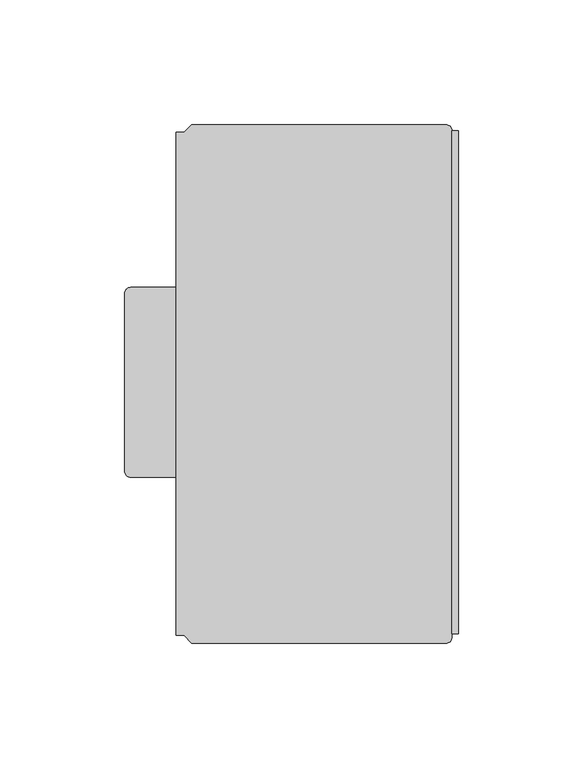
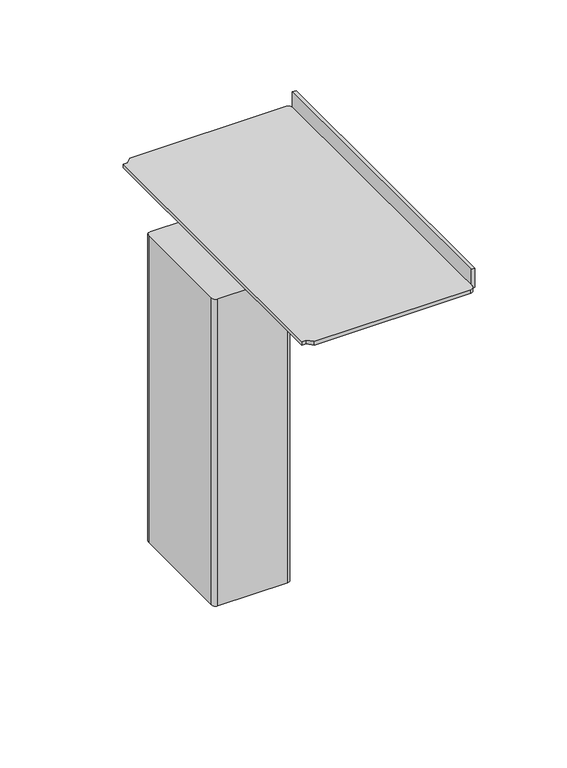
"""IFC4 building model written with IfcOpenShell, lengths in millimetres: furniture geometry."""

from ifc_helpers import new_model, si_unit, point, frame, frame_2d, origin, place, context, project, spatial, polyline, circle_curve, trimmed, segment, composite_curve, outline, extrude, source, transform, mapped, element, save
from ifc_brep_helpers import plane_surface, cylinder_surface, advanced_brep


def furniture_cd7607cd(model_context):
    return source(origin(), model_context, "Body", "SolidModel", [
        advanced_brep(
        [(29.5907084, 64.7885645, 773.811), (131.633251, 64.7885645, 773.811), (134.173251, 62.2485645, 773.811), (136.7132486, 62.2485623, 773.811), (136.7132486, -139.706834, 773.811), (134.173251, -139.706834, 773.811), (134.173251, -140.9768395, 773.811), (131.633251, -143.5168395, 773.811), (29.5907084, -143.5168395, 773.811), (26.4157091, -140.3418334, 773.811), (23.3680004, -140.3418334, 773.811), (23.3680004, 61.6135629, 773.811), (26.4157091, 61.6135629, 773.811), (29.5907084, 64.7885645, 776.3510136), (26.4157091, 61.6135629, 776.3510136), (23.3680004, 61.6135629, 776.3510136), (23.3680004, -140.3418334, 776.3510136), (26.4157091, -140.3418334, 776.3510136), (29.5907084, -143.5168395, 776.3510136), (131.633251, -143.5168395, 776.3510136), (134.173251, -140.9768395, 776.3510136), (134.173251, -139.706834, 776.3510136), (134.173251, 62.2485623, 776.3510136), (131.633251, 64.7885645, 776.3510136), (136.7132486, -139.706834, 787.0189671), (134.173251, -139.706834, 787.0189671), (134.173251, 62.2485623, 787.0189671), (136.7132486, 62.2485623, 787.0189671)],
        [
            (0, 1),
            (1, 2, circle_curve(frame((131.633251, 62.2485645, 773.811), z_axis=(0.0, 0.0, -1.0), x_axis=(0.0, -1.0, 0.0)), 2.54)),
            (2, 3),
            (3, 4),
            (4, 5),
            (5, 6),
            (6, 7, circle_curve(frame((131.633251, -140.9768395, 773.811), z_axis=(0.0, 0.0, -1.0), x_axis=(0.0, -1.0, 0.0)), 2.54)),
            (7, 8),
            (8, 9),
            (9, 10),
            (10, 11),
            (11, 12),
            (12, 0),
            (13, 14),
            (14, 15),
            (15, 16),
            (16, 17),
            (17, 18),
            (18, 19),
            (19, 20, circle_curve(frame((131.633251, -140.9768395, 776.3510136), z_axis=(0.0, 0.0, 1.0), x_axis=(0.0, -1.0, 0.0)), 2.54)),
            (20, 21),
            (21, 22),
            (22, 23, circle_curve(frame((131.633251, 62.2485645, 776.3510136), z_axis=(0.0, 0.0, 1.0), x_axis=(0.0, -1.0, 0.0)), 2.54)),
            (23, 13),
            (0, 13),
            (23, 1),
            (22, 2),
            (20, 6),
            (5, 21),
            (19, 7),
            (18, 8),
            (10, 16),
            (15, 11),
            (17, 9),
            (14, 12),
            (4, 24),
            (24, 25),
            (25, 21),
            (26, 27),
            (27, 3),
            (22, 26),
            (25, 26),
            (27, 24),
        ],
        [
            plane_surface(frame((103.0582534, 64.7885645, 773.811), z_axis=(0.0, 0.0, -1.0), x_axis=(1.0, 0.0, 0.0))),
            plane_surface(frame((103.0582534, 64.7885645, 776.3510136), z_axis=(0.0, 0.0, 1.0), x_axis=(-1.0, 0.0, 0.0))),
            plane_surface(frame((29.5907084, 64.7885645, 773.811), z_axis=(0.0, 1.0, 0.0), x_axis=(0.0, 0.0, 1.0))),
            cylinder_surface(frame((131.633251, 62.2485645, 776.3510136), z_axis=(0.0, 0.0, -1.0), x_axis=(0.0, -1.0, 0.0)), 2.54),
            plane_surface(frame((134.173251, 62.2485645, 773.811), z_axis=(1.0, 0.0, 0.0), x_axis=(0.0, 0.0, 1.0))),
            cylinder_surface(frame((131.633251, -140.9768395, 776.3510136), z_axis=(0.0, 0.0, -1.0), x_axis=(0.0, -1.0, 0.0)), 2.54),
            plane_surface(frame((131.633251, -143.5168395, 773.811), z_axis=(0.0, -1.0, 0.0), x_axis=(0.0, 0.0, 1.0))),
            plane_surface(frame((23.3680004, -140.3418334, 773.811), z_axis=(-1.0, 0.0, 0.0), x_axis=(0.0, 0.0, 1.0))),
            plane_surface(frame((29.5907084, -143.5168395, 773.811), z_axis=(-0.7071075398287812, -0.7071060225435, 0.0), x_axis=(0.0, 0.0, 1.0))),
            plane_surface(frame((26.4157091, -140.3418334, 773.811), z_axis=(0.0, -1.0, 0.0), x_axis=(0.0, 0.0, 1.0))),
            plane_surface(frame((23.3680004, 61.6135629, 773.811), z_axis=(0.0, 1.0, 0.0), x_axis=(0.0, 0.0, 1.0))),
            plane_surface(frame((26.4157091, 61.6135629, 773.811), z_axis=(-0.7071070340675647, 0.70710652830544, 0.0), x_axis=(0.0, 0.0, 1.0))),
            plane_surface(frame((134.173251, -139.706834, 787.0189671), z_axis=(0.0, -1.0, 0.0), x_axis=(0.0, 0.0, -1.0))),
            plane_surface(frame((134.173251, 62.2485623, 787.0189671), z_axis=(0.0, 1.0, 0.0), x_axis=(0.0, 0.0, 1.0))),
            plane_surface(frame((134.173251, -139.706834, 787.0189671), z_axis=(-1.0, 0.0, 0.0), x_axis=(0.0, 1.0, 0.0))),
            plane_surface(frame((136.7132486, -139.706834, 773.811), z_axis=(1.0, 0.0, 0.0), x_axis=(0.0, 1.0, 0.0))),
            plane_surface(frame((136.7132486, -139.706834, 787.0189671), z_axis=(0.0, 0.0, 1.0), x_axis=(0.0, 1.0, 0.0))),
        ],
        [
            (0, [[1, 2, 3, 4, 5, 6, 7, 8, 9, 10, 11, 12, 13]]),
            (1, [[14, 15, 16, 17, 18, 19, 20, 21, 22, 23, 24]]),
            (2, [[-1, 25, -24, 26]]),
            (3, [[-2, -26, -23, 27]]),
            (4, [[28, -6, 29, -21]]),
            (5, [[-7, -28, -20, 30]]),
            (6, [[-8, -30, -19, 31]]),
            (7, [[-11, 32, -16, 33]]),
            (8, [[-9, -31, -18, 34]]),
            (9, [[-10, -34, -17, -32]]),
            (10, [[-12, -33, -15, 35]]),
            (11, [[-13, -35, -14, -25]]),
            (12, [[-5, 36, 37, 38, -29]]),
            (13, [[39, 40, -3, -27, 41]]),
            (14, [[42, -41, -22, -38]]),
            (15, [[-36, -4, -40, 43]]),
            (16, [[-37, -43, -39, -42]]),
        ],
    ),
        extrude(outline(composite_curve([segment(trimmed(circle_curve(frame_2d((40.9571708, -49.3434032)), 1.27), [point((42.0570231, -48.7084032))], [point((40.9571708, -50.6134032))], False, "CARTESIAN"), True, "CONTINUOUS"), segment(polyline([(40.9571708, -50.6134032), (27.172357, -50.6134032)]), True, "CONTINUOUS"), segment(trimmed(circle_curve(frame_2d((27.172357, -49.3434032)), 1.27), [point((27.172357, -50.6134032))], [point((26.0725047, -49.9784032))], False, "CARTESIAN"), True, "CONTINUOUS"), segment(polyline([(26.0725047, -49.9784032), (13.8229746, -28.7615956)]), True, "CONTINUOUS"), segment(trimmed(circle_curve(frame_2d((14.9228268, -28.1265956)), 1.27), [point((13.8229746, -28.7615956))], [point((14.9228268, -26.8565956))], False, "CARTESIAN"), True, "CONTINUOUS"), segment(polyline([(14.9228268, -26.8565956), (28.707643, -26.8565956)]), True, "CONTINUOUS"), segment(trimmed(circle_curve(frame_2d((28.707643, -28.1265956)), 1.27), [point((28.707643, -26.8565956))], [point((29.8074953, -27.4915957))], False, "CARTESIAN"), True, "CONTINUOUS"), segment(polyline([(29.8074953, -27.4915957), (42.0570231, -48.7084032)]), True, "CONTINUOUS")], self_intersect=False)), frame((0.0, 0.0, 552.45), z_axis=(0.0, 0.0, 1.0), x_axis=(1.0, 0.0, 0.0)), (0.0, 0.0, 1.0), 6.3500121),
        extrude(outline(composite_curve([segment(trimmed(circle_curve(frame_2d((27.9399996, -38.7350004)), 3.9687492), [point((27.9399996, -34.7662512))], [point((27.9399996, -42.7037496))], False, "CARTESIAN"), True, "CONTINUOUS"), segment(trimmed(circle_curve(frame_2d((27.9399996, -38.7350004)), 3.9687492), [point((27.9399996, -42.7037496))], [point((27.9399996, -34.7662512))], False, "CARTESIAN"), True, "CONTINUOUS")], self_intersect=False)), frame((0.0, 0.0, 558.8000121), z_axis=(0.0, 0.0, 1.0), x_axis=(1.0, 0.0, 0.0)), (0.0, 0.0, 1.0), 3.1749879),
        extrude(outline(composite_curve([segment(trimmed(circle_curve(frame_2d((5.0799976, -3.175)), 2.54), [point((2.5399976, -3.175))], [point((5.0799976, -0.635))], False, "CARTESIAN"), True, "CONTINUOUS"), segment(polyline([(5.0799976, -0.635), (50.7999991, -0.635)]), True, "CONTINUOUS"), segment(trimmed(circle_curve(frame_2d((50.7999991, -3.175)), 2.54), [point((50.7999991, -0.635))], [point((53.3399991, -3.175))], False, "CARTESIAN"), True, "CONTINUOUS"), segment(polyline([(53.3399991, -3.175), (53.3399991, -74.2949994)]), True, "CONTINUOUS"), segment(trimmed(circle_curve(frame_2d((50.7999991, -74.2949994)), 2.54), [point((53.3399991, -74.2949994))], [point((50.7999991, -76.8349994))], False, "CARTESIAN"), True, "CONTINUOUS"), segment(polyline([(50.7999991, -76.8349994), (5.0799976, -76.8349994)]), True, "CONTINUOUS"), segment(trimmed(circle_curve(frame_2d((5.0799976, -74.2949994)), 2.54), [point((5.0799976, -76.8349994))], [point((2.5399976, -74.2949994))], False, "CARTESIAN"), True, "CONTINUOUS"), segment(polyline([(2.5399976, -74.2949994), (2.5399976, -3.175)]), True, "CONTINUOUS")], self_intersect=False)), frame((0.0, 0.0, 561.975), z_axis=(0.0, 0.0, 1.0), x_axis=(1.0, 0.0, 0.0)), (0.0, 0.0, 1.0), 211.836),
    ])


if __name__ == "__main__":
    model = new_model("IFC4")
    model_context = context("Model", 3, world=origin())
    ifc_project = project(units=[si_unit("LENGTHUNIT", "METRE", prefix="MILLI")], contexts=[model_context])
    site = spatial("IfcSite", under=ifc_project)
    building = spatial("IfcBuilding", under=site)
    placement = place(None, origin())
    furniture_shape = furniture_cd7607cd(model_context)
    element("IfcFurniture", 1, at=placement, inside=building, context=model_context, shape_type="MappedRepresentation", body=[
        mapped(furniture_shape, transform((0.0, 0.0, 0.0), x_axis=(1.0, 0.0, 0.0), y_axis=(0.0, 1.0, 0.0), z_axis=(0.0, 0.0, 1.0))),
    ])
    save(model, "model.ifc")
